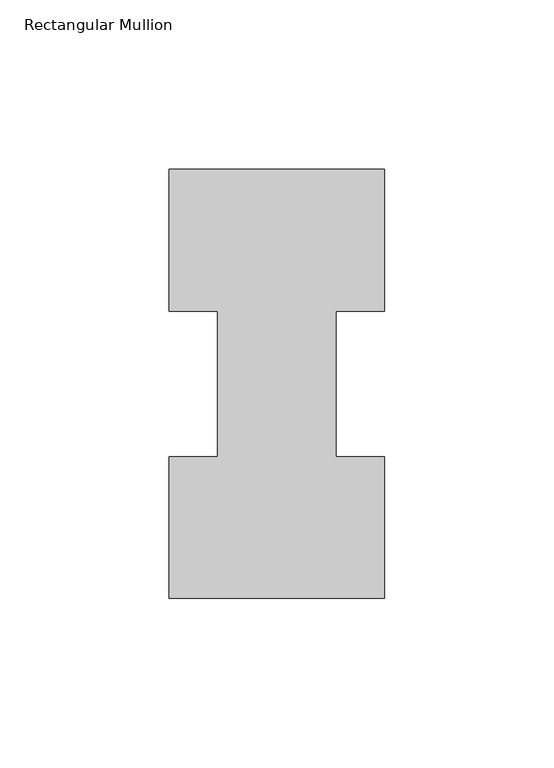
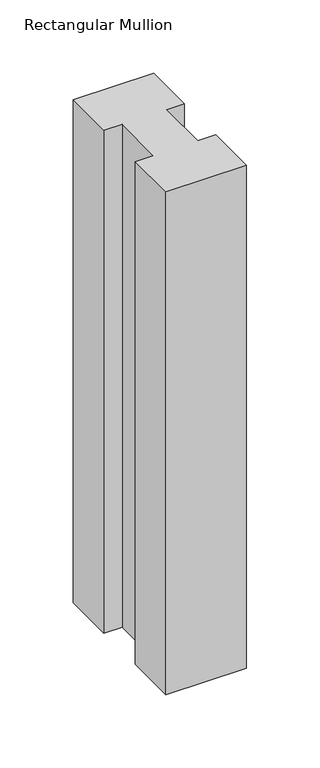
"""IFC4 building model written with IfcOpenShell, lengths in millimetres: member geometry, Rectangular Mullion."""

import ifcopenshell
import ifcopenshell.guid

model = None  # the IFC model being written
_history = None  # IfcOwnerHistory: only IFC2X3 demands one
_inside = {}  # id of a spatial element -> (the spatial element, [elements in it])
_under = {}  # id of a project, library or spatial element -> (it, [spatial elements below it])
_declared = {}  # id of a project -> (the project, [libraries it declares])
_typed = {}  # id of a type object -> (the type object, [elements of that type])
_made_of = {}  # id of a material, layer set ... -> (it, [elements and type objects made of it])


def new_model(schema):
    """Start an empty IFC model of exactly this schema.

    Asked for "IFC4X3", IfcOpenShell would pick the latest addendum, in which some entities
    have other attributes; the version numbers below select the first issue.
    IFC2X3 requires an IfcOwnerHistory on every rooted entity: one is made here for all.
    """
    global model, _history
    if schema == "IFC4X3":
        model = ifcopenshell.file(schema_version=(4, 3, 0, 0))
    else:
        model = ifcopenshell.file(schema=schema)
    _inside.clear()
    _under.clear()
    _declared.clear()
    _typed.clear()
    _made_of.clear()
    _history = None
    if model.schema == "IFC2X3":
        org = make("IfcOrganization", Name="unknown")
        user = make(
            "IfcPersonAndOrganization",
            ThePerson=make("IfcPerson", FamilyName="unknown"),
            TheOrganization=org,
        )
        app = make(
            "IfcApplication",
            ApplicationDeveloper=org,
            Version="unknown",
            ApplicationFullName="unknown",
            ApplicationIdentifier="unknown",
        )
        _history = make(
            "IfcOwnerHistory",
            OwningUser=user,
            OwningApplication=app,
            ChangeAction="ADDED",
            CreationDate=0,
        )
    return model


def make(cls, **values):
    """One entity of the class cls with the attributes given. An attribute that is None is left unset."""
    return model.create_entity(
        cls, **{name: value for name, value in values.items() if value is not None}
    )


def rooted(cls, **values):
    """An entity with a GlobalId (a new one), such as an element, a storey or a relation."""
    return make(cls, GlobalId=ifcopenshell.guid.new(), OwnerHistory=_history, **values)


def si_unit(unit_type, name, prefix=None):
    """IfcSIUnit, for example si_unit("LENGTHUNIT", "METRE", prefix="MILLI")."""
    return make("IfcSIUnit", UnitType=unit_type, Prefix=prefix, Name=name)


def assignment(units):
    """IfcUnitAssignment: the units of a project."""
    return None if units is None else make("IfcUnitAssignment", Units=units)


def point(xyz):
    """IfcCartesianPoint."""
    return None if xyz is None else make("IfcCartesianPoint", Coordinates=xyz)


def direction(xyz):
    """IfcDirection."""
    return None if xyz is None else make("IfcDirection", DirectionRatios=xyz)


def frame(location, z_axis=None, x_axis=None):
    """IfcAxis2Placement3D, a coordinate frame: its origin and axes. An axis left out is left unset."""
    return make(
        "IfcAxis2Placement3D",
        Location=point(location),
        Axis=direction(z_axis),
        RefDirection=direction(x_axis),
    )


def origin():
    """The frame at (0, 0, 0) with its axes left unset."""
    return frame((0.0, 0.0, 0.0))


def place(relative_to, where):
    """IfcLocalPlacement: puts the frame where relative to a parent placement (None: the world)."""
    return make(
        "IfcLocalPlacement", PlacementRelTo=relative_to, RelativePlacement=where
    )


def context(
    kind, dimensions, precision=None, world=None, true_north=None, identifier=None
):
    """IfcGeometricRepresentationContext, for example the 3D "Model" context."""
    return make(
        "IfcGeometricRepresentationContext",
        ContextIdentifier=identifier,
        ContextType=kind,
        CoordinateSpaceDimension=dimensions,
        Precision=precision,
        WorldCoordinateSystem=world,
        TrueNorth=true_north,
    )


def project(units=None, contexts=None):
    """IfcProject with its units and contexts."""
    return rooted(
        "IfcProject",
        Name="project",
        RepresentationContexts=contexts,
        UnitsInContext=assignment(units),
    )


def spatial(cls, under=None, at=None, **own):
    """A site, building, storey or space (cls), placed at a placement, below another one or the project."""
    s = rooted(cls, ObjectPlacement=at, **own)
    if under is not None:
        _under.setdefault(under.id(), (under, []))[1].append(s)
    return s


def polyline(points):
    """IfcPolyline through the points."""
    return make("IfcPolyline", Points=[point(p) for p in points])


def outline(outer, holes=None, kind="AREA"):
    """IfcArbitraryClosedProfileDef: a profile drawn as a closed curve; with holes, ...WithVoids."""
    if holes is None:
        return make("IfcArbitraryClosedProfileDef", ProfileType=kind, OuterCurve=outer)
    return make(
        "IfcArbitraryProfileDefWithVoids",
        ProfileType=kind,
        OuterCurve=outer,
        InnerCurves=holes,
    )


def extrude(swept, where, along, depth):
    """IfcExtrudedAreaSolid: the profile swept, set in the frame where, extruded along a direction by depth."""
    return make(
        "IfcExtrudedAreaSolid",
        SweptArea=swept,
        Position=where,
        ExtrudedDirection=direction(along),
        Depth=depth,
    )


def shape(context_of_items, identifier, shape_type, items):
    """IfcShapeRepresentation: the items that make up one representation, for example the "Body"."""
    return make(
        "IfcShapeRepresentation",
        ContextOfItems=context_of_items,
        RepresentationIdentifier=identifier,
        RepresentationType=shape_type,
        Items=items,
    )


def source(mapping_origin, context_of_items, identifier, shape_type, items):
    """IfcRepresentationMap: a shape defined once, which mapped items show again and again."""
    return make(
        "IfcRepresentationMap",
        MappingOrigin=mapping_origin,
        MappedRepresentation=shape(context_of_items, identifier, shape_type, items),
    )


def transform(
    local_origin,
    x_axis=None,
    y_axis=None,
    z_axis=None,
    scale=None,
    scale2=None,
    scale3=None,
    uniform=True,
):
    """IfcCartesianTransformationOperator3D, or its non-uniform kind. x_axis, y_axis, z_axis: its Axis1, 2, 3."""
    if uniform:
        return make(
            "IfcCartesianTransformationOperator3D",
            Axis1=direction(x_axis),
            Axis2=direction(y_axis),
            LocalOrigin=point(local_origin),
            Scale=scale,
            Axis3=direction(z_axis),
        )
    return make(
        "IfcCartesianTransformationOperator3DnonUniform",
        Axis1=direction(x_axis),
        Axis2=direction(y_axis),
        LocalOrigin=point(local_origin),
        Scale=scale,
        Axis3=direction(z_axis),
        Scale2=scale2,
        Scale3=scale3,
    )


def mapped(mapping_source, mapping_target):
    """IfcMappedItem: shows the shape of a source again, moved by a transform."""
    return make(
        "IfcMappedItem", MappingSource=mapping_source, MappingTarget=mapping_target
    )


def made_of(thing, what):
    """Note that an element or type object is made of a material, layer set ...; save() writes the relation."""
    if what is not None:
        _made_of.setdefault(what.id(), (what, []))[1].append(thing)
    return thing


def element(
    cls,
    number,
    at=None,
    inside=None,
    cuts=None,
    type_object=None,
    material=None,
    context=None,
    identifier="Body",
    shape_type=None,
    held_by="IfcProductDefinitionShape",
    body=None,
    shapes=None,
    **own,
):
    """One element of the class cls, such as IfcWall. Its Tag is "e" and its number.

    at: its placement. inside: the storey or other place that contains it. cuts: it is an
    opening in that element (IfcRelVoidsElement). A single representation is given by context,
    identifier, shape_type and body (its items); several are given by shapes. held_by: the class
    of the entity that holds the representations. save() writes the other relations.
    """
    e = rooted(cls, Tag="e%d" % number, ObjectPlacement=at, **own)
    if body is not None:
        shapes = [shape(context, identifier, shape_type, body)]
    if shapes is not None:
        e.Representation = make(held_by, Representations=shapes)
    if inside is not None:
        _inside.setdefault(inside.id(), (inside, []))[1].append(e)
    if cuts is not None:
        rooted(
            "IfcRelVoidsElement", RelatingBuildingElement=cuts, RelatedOpeningElement=e
        )
    if type_object is not None:
        _typed.setdefault(type_object.id(), (type_object, []))[1].append(e)
    return made_of(e, material)


def aggregate(whole, parts):
    """IfcRelAggregates: a whole, such as a stair, and the parts it consists of."""
    return rooted("IfcRelAggregates", RelatingObject=whole, RelatedObjects=parts)


def save(model, path):
    """Write the relations noted so far, then the file.

    IfcRelAggregates (storeys below a building ...), IfcRelContainedInSpatialStructure (elements
    in a storey), IfcRelDefinesByType, IfcRelAssociatesMaterial and IfcRelDeclares: one each for
    every whole, place, type object, material and project.
    """
    for whole, parts in _under.values():
        aggregate(whole, parts)
    for where, things in _inside.values():
        rooted(
            "IfcRelContainedInSpatialStructure",
            RelatedElements=things,
            RelatingStructure=where,
        )
    for kind, things in _typed.values():
        rooted("IfcRelDefinesByType", RelatedObjects=things, RelatingType=kind)
    for what, things in _made_of.values():
        rooted("IfcRelAssociatesMaterial", RelatedObjects=things, RelatingMaterial=what)
    for by, libraries in _declared.values():
        rooted("IfcRelDeclares", RelatingContext=by, RelatedDefinitions=libraries)
    model.write(path)


def rectangular_mullion_f9ba2cb2(model_context):
    return source(origin(), model_context, "Body", "SweptSolid", [
        extrude(outline(polyline([(-63.5, 0.2967757), (-63.5, 42.1178757), (-49.2125, 42.1178757), (-49.2125, 84.93125), (-63.5, 84.93125), (-63.5, 126.7887757), (0.0, 126.7887757), (0.0, 84.93125), (-14.2748, 84.93125), (-14.2748, 42.1178757), (0.0, 42.1178757), (0.0, 0.2967757), (-63.5, 0.2967757)])), frame((0.0, 0.0, -419.1), z_axis=(0.0, 0.0, 1.0), x_axis=(1.0, 0.0, 0.0)), (0.0, 0.0, 1.0), 419.1),
    ])


if __name__ == "__main__":
    model = new_model("IFC4")
    model_context = context("Model", 3, world=origin())
    ifc_project = project(units=[si_unit("LENGTHUNIT", "METRE", prefix="MILLI")], contexts=[model_context])
    site = spatial("IfcSite", under=ifc_project)
    building = spatial("IfcBuilding", under=site)
    placement = place(None, origin())
    rectangular_mullion_shape = rectangular_mullion_f9ba2cb2(model_context)
    element("IfcMember", 1, ObjectType="Rectangular Mullion", at=placement, inside=building, context=model_context, shape_type="MappedRepresentation", body=[
        mapped(rectangular_mullion_shape, transform((0.0, 0.0, 0.0), x_axis=(1.0, 0.0, 0.0), y_axis=(0.0, 1.0, 0.0), z_axis=(0.0, 0.0, 1.0))),
    ])
    save(model, "model.ifc")
